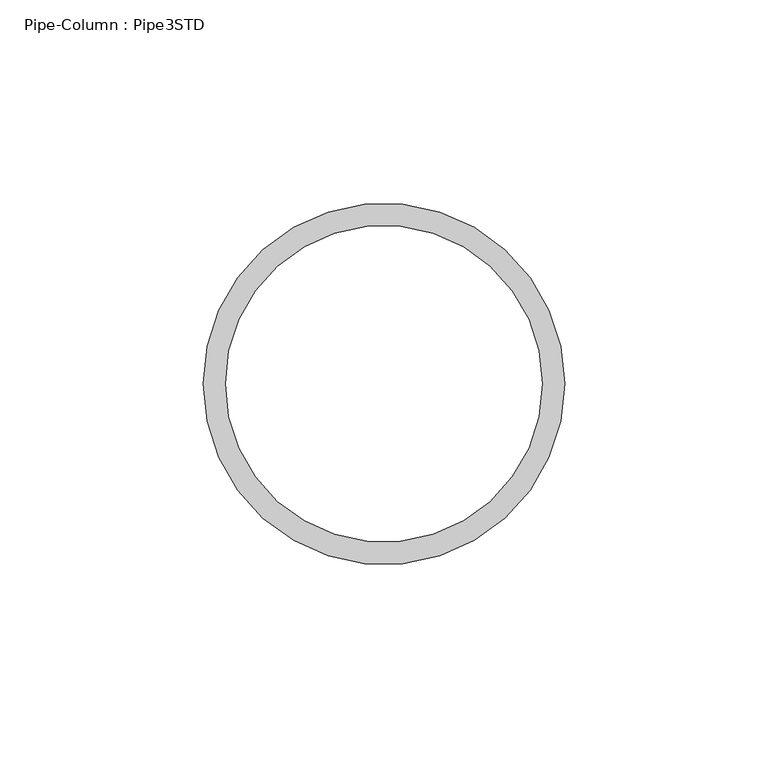
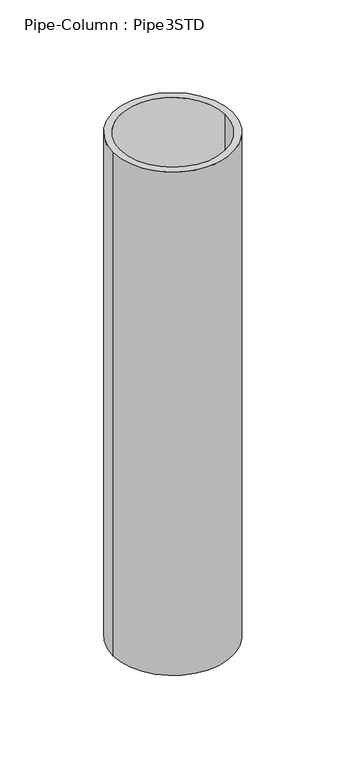
"""IFC4 building model written with IfcOpenShell, lengths in millimetres: column geometry, Pipe-Column : Pipe3STD."""

from ifc_helpers import new_model, si_unit, point, frame, origin, origin_2d, place, context, project, spatial, circle_curve, trimmed, segment, composite_curve, outline, extrude, source, transform, mapped, element, save


def pipe_column_pipe3std_2eaf02dc(model_context):
    return source(origin(), model_context, "Body", "SweptSolid", [
        extrude(outline(composite_curve([segment(trimmed(circle_curve(origin_2d(), 44.45), [point((-44.45, 0.0))], [point((44.45, 0.0))], False, "CARTESIAN"), True, "CONTINUOUS"), segment(trimmed(circle_curve(origin_2d(), 44.45), [point((44.45, 0.0))], [point((-44.45, 0.0))], False, "CARTESIAN"), True, "CONTINUOUS")], self_intersect=False), holes=[composite_curve([segment(trimmed(circle_curve(origin_2d(), 38.9636), [point((-38.9636, 0.0))], [point((38.9636, 0.0))], True, "CARTESIAN"), True, "CONTINUOUS"), segment(trimmed(circle_curve(origin_2d(), 38.9636), [point((38.9636, 0.0))], [point((-38.9636, 0.0))], True, "CARTESIAN"), True, "CONTINUOUS")], self_intersect=False)]), frame((0.0, 0.0, 3657.6), z_axis=(0.0, 0.0, 1.0), x_axis=(1.0, 0.0, 0.0)), (0.0, 0.0, 1.0), 393.7),
    ])


if __name__ == "__main__":
    model = new_model("IFC4")
    model_context = context("Model", 3, world=origin())
    ifc_project = project(units=[si_unit("LENGTHUNIT", "METRE", prefix="MILLI")], contexts=[model_context])
    site = spatial("IfcSite", under=ifc_project)
    building = spatial("IfcBuilding", under=site)
    placement = place(None, origin())
    pipe_column_pipe3std_shape = pipe_column_pipe3std_2eaf02dc(model_context)
    element("IfcColumn", 1, ObjectType="Pipe-Column : Pipe3STD", at=placement, inside=building, context=model_context, shape_type="MappedRepresentation", body=[
        mapped(pipe_column_pipe3std_shape, transform((0.0, 0.0, 0.0), x_axis=(1.0, 0.0, 0.0), y_axis=(0.0, 1.0, 0.0), z_axis=(0.0, 0.0, 1.0))),
    ])
    save(model, "model.ifc")
